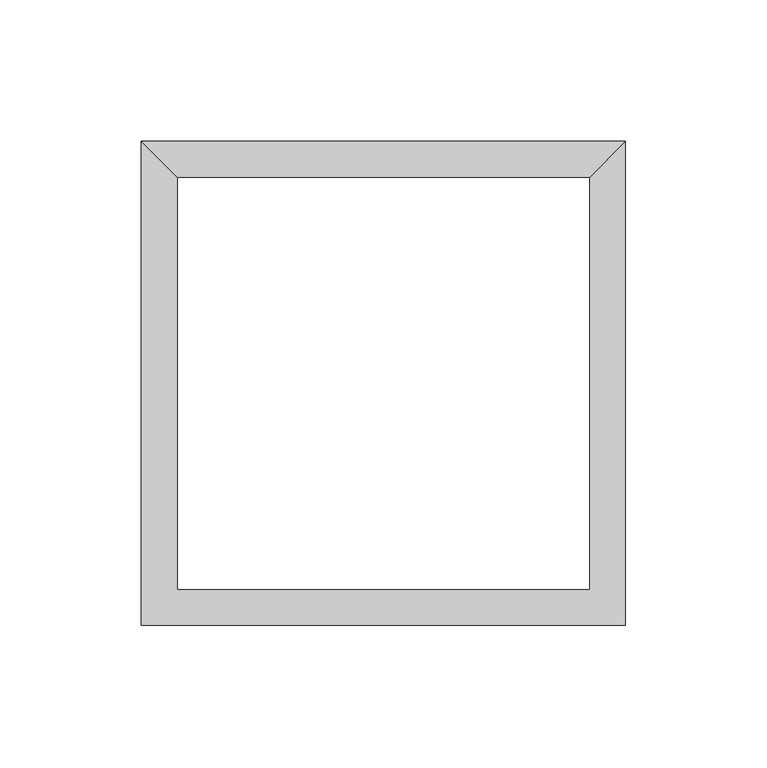
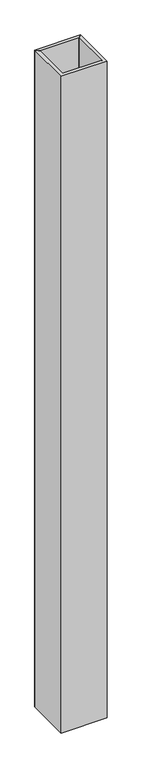
"""IFC4 building model written with IfcOpenShell, lengths in millimetres: proxy geometry."""

from ifc_helpers import new_model, si_unit, origin, origin_with_axes, place, context, project, spatial, polyline, outline, extrude, source, transform, mapped, element, save


def generic_models_0dbbb4cf(model_context):
    return source(origin(), model_context, "Body", "SweptSolid", [
        extrude(outline(polyline([(85.725, 85.725), (73.025, 73.025), (-73.025, 73.025), (-85.725, 85.725), (85.725, 85.725)])), origin_with_axes(), (0.0, 0.0, 1.0), 2590.8),
        extrude(outline(polyline([(-85.725, -85.725), (-85.725, 85.725), (-73.025, 73.025), (-73.025, -73.025), (73.025, -73.025), (73.025, 73.025), (85.725, 85.725), (85.725, -85.725), (-85.725, -85.725)])), origin_with_axes(), (0.0, 0.0, 1.0), 2590.8),
    ])


if __name__ == "__main__":
    model = new_model("IFC4")
    model_context = context("Model", 3, world=origin())
    ifc_project = project(units=[si_unit("LENGTHUNIT", "METRE", prefix="MILLI")], contexts=[model_context])
    site = spatial("IfcSite", under=ifc_project)
    building = spatial("IfcBuilding", under=site)
    placement = place(None, origin())
    generic_models_shape = generic_models_0dbbb4cf(model_context)
    element("IfcBuildingElementProxy", 1, Name="Generic Models", at=placement, inside=building, context=model_context, shape_type="MappedRepresentation", body=[
        mapped(generic_models_shape, transform((0.0, 0.0, 0.0), x_axis=(1.0, 0.0, 0.0), y_axis=(0.0, 1.0, 0.0), z_axis=(0.0, 0.0, 1.0))),
    ])
    save(model, "model.ifc")
